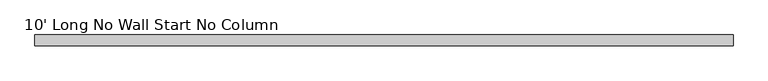
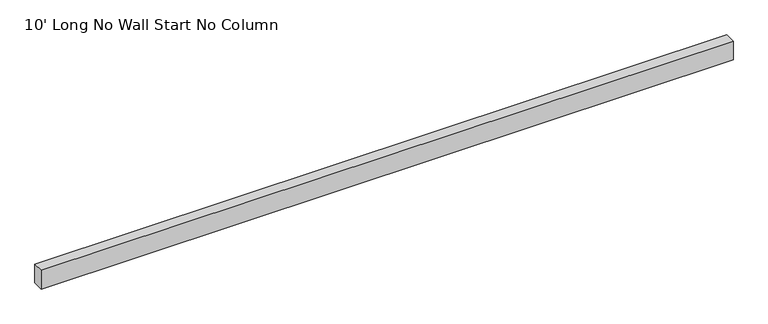
"""IFC4 building model written with IfcOpenShell, lengths in millimetres: furniture geometry, 10' Long No Wall Start No Column."""

from ifc_helpers import new_model, si_unit, frame, origin, place, context, project, spatial, polyline, outline, extrude, source, transform, mapped, element, save


def furniture_10_long_no_wall_start_no_column_d89dc32c(model_context):
    return source(origin(), model_context, "Body", "SweptSolid", [
        extrude(outline(polyline([(3234.6392, -25.4), (0.0, -25.4), (0.0, 25.4), (3234.6392, 25.4), (3234.6392, -25.4)])), frame((0.0, 0.0, 2193.163), z_axis=(0.0, 0.0, 1.0), x_axis=(1.0, 0.0, 0.0)), (0.0, 0.0, 1.0), 92.71),
    ])


if __name__ == "__main__":
    model = new_model("IFC4")
    model_context = context("Model", 3, world=origin())
    ifc_project = project(units=[si_unit("LENGTHUNIT", "METRE", prefix="MILLI")], contexts=[model_context])
    site = spatial("IfcSite", under=ifc_project)
    building = spatial("IfcBuilding", under=site)
    placement = place(None, origin())
    furniture_10_long_no_wall_start_no_column_shape = furniture_10_long_no_wall_start_no_column_d89dc32c(model_context)
    element("IfcFurniture", 1, ObjectType="10' Long No Wall Start No Column", at=placement, inside=building, context=model_context, shape_type="MappedRepresentation", body=[
        mapped(furniture_10_long_no_wall_start_no_column_shape, transform((0.0, 0.0, 0.0), x_axis=(1.0, 0.0, 0.0), y_axis=(0.0, 1.0, 0.0), z_axis=(0.0, 0.0, 1.0))),
    ])
    save(model, "model.ifc")
